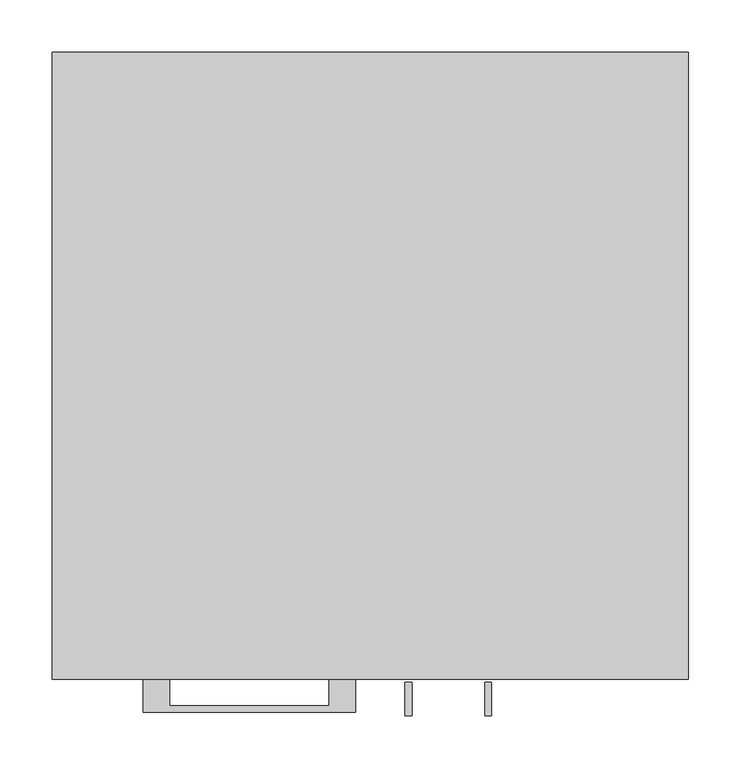
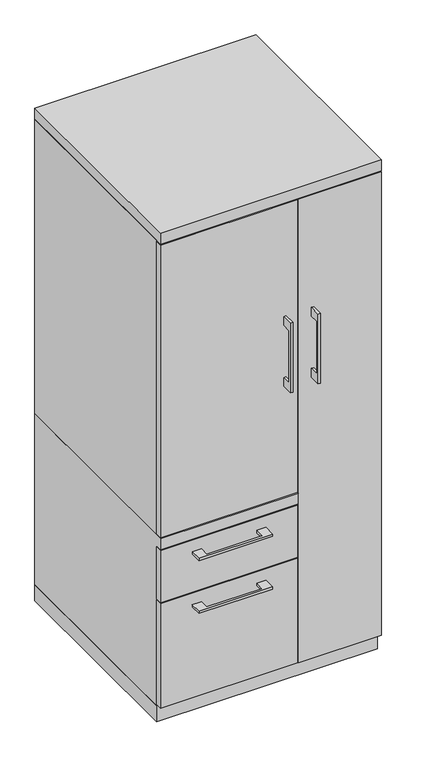
"""IFC4 building model written with IfcOpenShell, lengths in millimetres: furniture geometry."""

from ifc_helpers import new_model, si_unit, frame, origin, origin_with_axes, place, context, project, spatial, polyline, outline, extrude, faceted_brep, source, transform, mapped, element, save


def furniture_bab7a264(model_context):
    return source(origin(), model_context, "Body", "SolidModel", [
        extrude(outline(polyline([(-603.25, 1050.13125), (-628.6499758, 1050.13125), (-628.6499758, 897.73125), (-603.25, 897.73125), (-603.25, 872.33125), (-634.9999879, 872.33125), (-634.9999879, 1075.53125), (-603.25, 1075.53125), (-603.25, 1050.13125)])), frame((33.3375121, 0.0, 0.0), z_axis=(1.0, 0.0, 0.0), x_axis=(0.0, 1.0, 0.0)), (0.0, 0.0, 1.0), 6.3499758),
        extrude(outline(polyline([(-304.8, -600.075), (-304.8, -581.025), (73.025, -581.025), (73.025, -600.075), (-304.8, -600.075)])), frame((0.0, 0.0, 547.6875), z_axis=(0.0, 0.0, 1.0), x_axis=(1.0, 0.0, 0.0)), (0.0, 0.0, 1.0), 852.4875),
        extrude(outline(polyline([(-192.0874818, -600.075), (-192.0874818, -625.4749758), (-39.6875, -625.4749758), (-39.6875, -600.075), (-14.2875061, -600.075), (-14.2875061, -631.8249879), (-217.4874939, -631.8249879), (-217.4874939, -600.075), (-192.0874818, -600.075)])), frame((0.0, 0.0, 469.9000506), z_axis=(0.0, 0.0, 1.0), x_axis=(1.0, 0.0, 0.0)), (0.0, 0.0, 1.0), 6.3499758),
        extrude(outline(polyline([(73.025, -581.025), (73.025, -600.075), (-304.8, -600.075), (-304.8, -581.025), (73.025, -581.025)])), frame((0.0, 0.0, 358.775), z_axis=(0.0, 0.0, 1.0), x_axis=(1.0, 0.0, 0.0)), (0.0, 0.0, 1.0), 150.8125),
        extrude(outline(polyline([(-603.25, 1050.13125), (-628.6499758, 1050.13125), (-628.6499758, 897.73125), (-603.25, 897.73125), (-603.25, 872.33125), (-634.9999879, 872.33125), (-634.9999879, 1075.53125), (-603.25, 1075.53125), (-603.25, 1050.13125)])), frame((109.5375121, 0.0, 0.0), z_axis=(1.0, 0.0, 0.0), x_axis=(0.0, 1.0, 0.0)), (0.0, 0.0, 1.0), 6.3499758),
        extrude(outline(polyline([(304.8, -600.075), (76.2, -600.075), (76.2, -581.025), (304.8, -581.025), (304.8, -600.075)])), frame((0.0, 0.0, 50.8), z_axis=(0.0, 0.0, 1.0), x_axis=(1.0, 0.0, 0.0)), (0.0, 0.0, 1.0), 1349.375),
        extrude(outline(polyline([(-192.0874818, -600.075), (-192.0874818, -625.4749758), (-39.6875, -625.4749758), (-39.6875, -600.075), (-14.2875061, -600.075), (-14.2875061, -631.8249879), (-217.4874939, -631.8249879), (-217.4874939, -600.075), (-192.0874818, -600.075)])), frame((0.0, 0.0, 315.9125506), z_axis=(0.0, 0.0, 1.0), x_axis=(1.0, 0.0, 0.0)), (0.0, 0.0, 1.0), 6.3499758),
        extrude(outline(polyline([(73.025, -581.025), (73.025, -600.075), (-304.8, -600.075), (-304.8, -581.025), (73.025, -581.025)])), frame((0.0, 0.0, 50.8), z_axis=(0.0, 0.0, 1.0), x_axis=(1.0, 0.0, 0.0)), (0.0, 0.0, 1.0), 304.8),
        faceted_brep([(-304.8, -581.025, 47.625), (-304.8, 0.0, 47.625), (76.2, 0.0, 47.625), (76.2, -581.025, 47.625), (-304.8, 0.0, 544.5125), (76.2, 0.0, 544.5125), (-304.8, -581.025, 512.7625), (-304.8, -600.075, 512.7625), (-304.8, -600.075, 544.5125), (76.2, -581.025, 512.7625), (57.15, -581.025, 512.7625), (76.2, -581.025, 1403.35), (57.15, -581.025, 1403.35), (57.15, -581.025, 544.5125), (76.2, -581.025, 544.5125), (76.2, -19.05, 544.5125), (76.2, -19.05, 1403.35), (76.2, -600.075, 544.5125), (76.2, -600.075, 512.7625), (57.15, -19.05, 1403.35), (57.15, -19.05, 544.5125)], [[[0, 1, 2, 3]], [[2, 1, 4, 5]], [[4, 1, 0, 6, 7, 8]], [[6, 0, 3, 9, 10]], [[11, 12, 13, 14]], [[2, 5, 15, 16, 11, 14, 17, 18, 9, 3]], [[16, 19, 12, 11]], [[19, 16, 15, 20]], [[12, 19, 20, 13]], [[5, 4, 8, 17, 14, 13, 20, 15]], [[18, 7, 6, 10, 9]], [[17, 8, 7, 18]]]),
        extrude(outline(polyline([(76.2, 0.0), (76.2, -19.05), (-285.75, -19.05), (-285.75, -581.025), (-304.8, -581.025), (-304.8, 0.0), (76.2, 0.0)])), frame((0.0, 0.0, 544.5125), z_axis=(0.0, 0.0, 1.0), x_axis=(1.0, 0.0, 0.0)), (0.0, 0.0, 1.0), 858.8375),
        extrude(outline(polyline([(304.8, 0.0), (304.8, -581.025), (285.75, -581.025), (285.75, -19.05), (76.2, -19.05), (76.2, 0.0), (304.8, 0.0)])), frame((0.0, 0.0, 47.625), z_axis=(0.0, 0.0, 1.0), x_axis=(1.0, 0.0, 0.0)), (0.0, 0.0, 1.0), 1355.725),
        extrude(outline(polyline([(304.8, 0.0), (304.8, -600.075), (-304.8, -600.075), (-304.8, 0.0), (304.8, 0.0)])), frame((0.0, 0.0, 1403.35), z_axis=(0.0, 0.0, 1.0), x_axis=(1.0, 0.0, 0.0)), (0.0, 0.0, 1.0), 31.75),
        extrude(outline(polyline([(304.8, 0.0), (304.8, -581.025), (-304.8, -581.025), (-304.8, 0.0), (304.8, 0.0)])), origin_with_axes(), (0.0, 0.0, 1.0), 47.625),
    ])


if __name__ == "__main__":
    model = new_model("IFC4")
    model_context = context("Model", 3, world=origin())
    ifc_project = project(units=[si_unit("LENGTHUNIT", "METRE", prefix="MILLI")], contexts=[model_context])
    site = spatial("IfcSite", under=ifc_project)
    building = spatial("IfcBuilding", under=site)
    placement = place(None, origin())
    furniture_shape = furniture_bab7a264(model_context)
    element("IfcFurniture", 1, at=placement, inside=building, context=model_context, shape_type="MappedRepresentation", body=[
        mapped(furniture_shape, transform((0.0, 0.0, 0.0), x_axis=(1.0, 0.0, 0.0), y_axis=(0.0, 1.0, 0.0), z_axis=(0.0, 0.0, 1.0))),
    ])
    save(model, "model.ifc")
